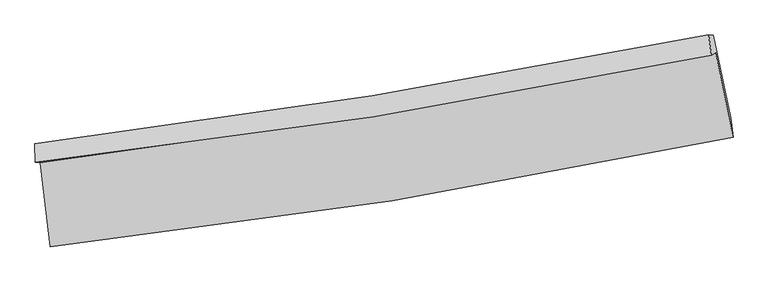
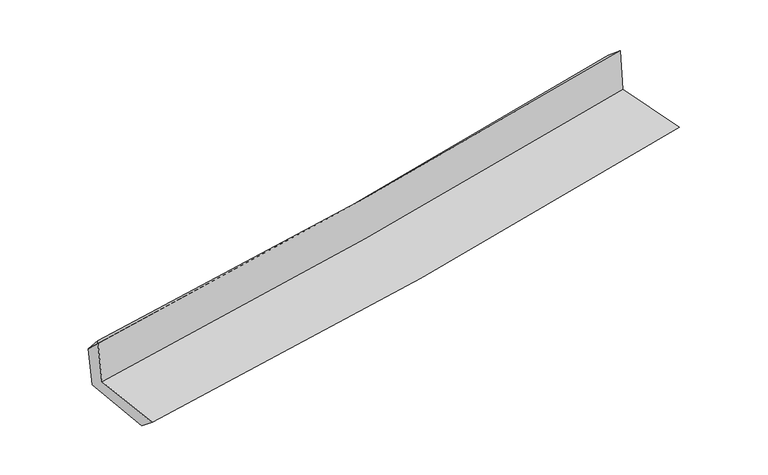
"""IFC4 building model written with IfcOpenShell, lengths in millimetres: proxy geometry."""

from ifc_helpers import new_model, si_unit, frame, origin, place, context, project, spatial, source, transform, mapped, element, save
from ifc_brep_helpers import plane_surface, spline_curve, spline_surface, advanced_brep


def generic_models_ee095c8a(model_context):
    return source(origin(), model_context, "Body", "AdvancedBrep", [
        advanced_brep(
        [(-2637.8223361, -1909.9457778, 1664.8434315), (-2557.5614344, -2562.4808229, 1643.2210483), (2719.9437918, -1713.0198744, 2113.7040828), (2584.7237906, -1062.1237773, 2130.5858757), (-2674.5626849, -1907.4396106, 2068.885351), (2551.3647113, -1079.2380274, 2523.2446347), (-2677.432662, -1764.0469229, 1909.8990118), (2531.5716486, -923.5675189, 2393.6731407), (-2644.7325883, -1765.6370026, 1549.4366308), (2564.9550623, -925.8612584, 2043.1876342), (-2564.8054356, -2407.7997942, 1517.7127886), (2700.2602709, -1563.6019646, 1996.6363593)],
        [
            (0, 1),
            (1, 2, spline_curve(3, [(-2557.5614344, -2562.4808229, 1643.2210483), (-1672.819528914, -2465.583581069, 1726.598501758), (-791.419647466, -2346.509176928, 1807.43004993), (967.772219129, -2063.511188691, 1964.275597688), (1845.540746236, -1899.431943389, 2040.271727793), (2719.9437918, -1713.0198744, 2113.7040828)], [4, 2, 4], [0.0, 8.74515311193279, 17.52094362440707])),
            (2, 3),
            (3, 0, spline_curve(3, [(2584.7237906, -1062.1237773, 2130.5858757), (1718.061921039, -1238.963513837, 2058.228402625), (848.753169622, -1398.12790489, 1983.165205757), (-892.113988236, -1680.612040061, 1827.898865035), (-1763.653945714, -1804.054982321, 1747.71458082), (-2637.8223361, -1909.9457778, 1664.8434315)], [4, 2, 4], [0.0, 8.77579051247428, 17.52094362440707])),
            (4, 0),
            (3, 5),
            (5, 4, spline_curve(3, [(2551.3647113, -1079.2380274, 2523.2446347), (1684.934461507, -1259.5368359, 2452.921851226), (815.458558931, -1418.786980686, 2379.82613705), (-926.538468238, -1694.70746477, 2228.353714835), (-1799.0383643, -1811.524514031, 2149.996334555), (-2674.5626849, -1907.4396106, 2068.885351)], [4, 2, 4], [0.0, 8.73003535735747, 17.429593051237838])),
            (6, 4),
            (5, 7),
            (7, 6, spline_curve(3, [(2531.5716486, -923.5675189, 2393.6731407), (1667.421497943, -1097.337222692, 2311.636906379), (800.498844764, -1254.355256783, 2230.234890977), (-935.855249792, -1534.398297704, 2068.981268471), (-1805.267367103, -1657.540065129, 1989.125241038), (-2677.432662, -1764.0469229, 1909.8990118)], [4, 2, 4], [0.0, 8.719285338458409, 17.40813054312258])),
            (8, 6),
            (7, 9),
            (9, 8, spline_curve(3, [(2564.9550623, -925.8612584, 2043.1876342), (1699.810230596, -1099.791837972, 1969.466618532), (832.33396217, -1256.831325829, 1891.380626002), (-904.244838075, -1536.638841901, 1726.766533817), (-1773.331120175, -1659.524602224, 1640.268858599), (-2644.7325883, -1765.6370026, 1549.4366308)], [4, 2, 4], [0.0, 8.710082651094828, 17.38975729614715])),
            (10, 8),
            (9, 11),
            (11, 10, spline_curve(3, [(2700.2602709, -1563.6019646, 1996.6363593), (1827.252031824, -1743.337632901, 1918.534427492), (951.21994356, -1903.64438644, 1839.501751503), (-803.823035308, -2184.908242311, 1679.854073964), (-1682.812848908, -2306.000765264, 1599.245559746), (-2564.8054356, -2407.7997942, 1517.7127886)], [4, 2, 4], [0.0, 8.755833665315537, 17.481099601980574])),
            (1, 10),
            (11, 2),
        ],
        [
            spline_surface(3, 3, [[(-2637.8223361, -1909.9457778, 1664.8434315), (-1763.65394585, -1804.054982432, 1747.714580771), (-892.113988226, -1680.612040069, 1827.89886516), (848.753169612, -1398.127904882, 1983.165205631), (1718.061920893, -1238.963513779, 2058.22840265), (2584.7237906, -1062.1237773, 2130.5858757)], [(-2611.068702207, -2127.45745949, 1657.635970428), (-1733.375806888, -2024.564515326, 1740.675887789), (-858.549207926, -1902.577752354, 1821.075926721), (888.426186081, -1619.922332817, 1976.868669655), (1760.554862632, -1459.119656994, 2052.242844393), (2629.797124314, -1279.089143006, 2124.958611411)], [(-2584.315068293, -2344.96914121, 1650.428509372), (-1703.097667905, -2245.07404825, 1733.637194823), (-824.984427642, -2124.543464643, 1814.252988318), (928.099202535, -1841.716760755, 1970.572133715), (1803.047804429, -1679.275800192, 2046.257286104), (2674.870458086, -1496.054508694, 2119.331347089)], [(-2557.5614344, -2562.4808229, 1643.2210483), (-1672.819528943, -2465.583581144, 1726.598501842), (-791.419647342, -2346.509176928, 1807.430049879), (967.772219005, -2063.511188691, 1964.275597739), (1845.540746168, -1899.431943408, 2040.271727847), (2719.9437918, -1713.0198744, 2113.7040828)]], [4, 4], [4, 2, 4], [0.0, 2.214356295706071], [0.0, 8.74515311193279, 17.52094362440707]),
            spline_surface(3, 3, [[(-2674.5626849, -1907.4396106, 2068.885351), (-1799.038364328, -1811.524514071, 2149.996334446), (-926.538468227, -1694.707464647, 2228.353714913), (815.45855892, -1418.786980809, 2379.826136972), (1684.934461529, -1259.536835872, 2452.921851107), (2551.3647113, -1079.2380274, 2523.2446347)], [(-2662.31590195, -1908.274999672, 1934.20471114), (-1787.243558152, -1809.034670197, 2015.902416528), (-915.063641572, -1690.008989796, 2094.868764991), (826.556762473, -1411.900622175, 2247.605826521), (1695.976947986, -1252.679061849, 2321.357368275), (2562.484404402, -1073.533277375, 2392.358381687)], [(-2650.06911905, -1909.110388728, 1799.52407136), (-1775.448752026, -1806.544826307, 1881.808498689), (-903.588814881, -1685.31051492, 1961.383815082), (837.654966059, -1405.014263516, 2115.385516082), (1707.019434436, -1245.821287802, 2189.792885482), (2573.604097498, -1067.828527325, 2261.472128713)], [(-2637.8223361, -1909.9457778, 1664.8434315), (-1763.65394585, -1804.054982432, 1747.714580771), (-892.113988226, -1680.612040069, 1827.89886516), (848.753169612, -1398.127904882, 1983.165205631), (1718.061920893, -1238.963513779, 2058.22840265), (2584.7237906, -1062.1237773, 2130.5858757)]], [4, 4], [4, 2, 4], [0.0, 1.3135321220625928], [0.0, 8.699557693880367, 17.429593051237838]),
            spline_surface(3, 3, [[(-2677.432662, -1764.0469229, 1909.8990118), (-1805.267366964, -1657.540065017, 1989.125240955), (-935.855249876, -1534.398297796, 2068.981268519), (800.498844848, -1254.355256691, 2230.234890928), (1667.421497964, -1097.337222619, 2311.636906349), (2531.5716486, -923.5675189, 2393.6731407)], [(-2676.476002973, -1811.844485463, 1962.894458215), (-1803.191032759, -1708.868214698, 2042.7489388), (-932.749655989, -1587.834686743, 2122.105417348), (805.485416209, -1309.165831394, 2280.09863964), (1673.259152493, -1151.403760366, 2358.731887942), (2538.169336174, -975.457688396, 2436.863638707)], [(-2675.519343927, -1859.642048037, 2015.889904585), (-1801.114698533, -1760.196364391, 2096.3726366), (-929.644062114, -1641.2710757, 2175.229566085), (810.471987559, -1363.976406106, 2329.96238826), (1679.096807, -1205.470298125, 2405.826869514), (2544.767023726, -1027.347857904, 2480.054136693)], [(-2674.5626849, -1907.4396106, 2068.885351), (-1799.038364328, -1811.524514071, 2149.996334446), (-926.538468227, -1694.707464647, 2228.353714913), (815.45855892, -1418.786980809, 2379.826136972), (1684.934461529, -1259.536835872, 2452.921851107), (2551.3647113, -1079.2380274, 2523.2446347)]], [4, 4], [4, 2, 4], [0.0, 0.7363524370400569], [0.0, 8.688845204664172, 17.40813054312258]),
            spline_surface(3, 3, [[(-2644.7325883, -1765.6370026, 1549.4366308), (-1773.331120117, -1659.524602182, 1640.268858718), (-904.244838186, -1536.638841879, 1726.766533918), (832.333962282, -1256.83132585, 1891.3806259), (1699.81023055, -1099.791838072, 1969.466618493), (2564.9550623, -925.8612584, 2043.1876342)], [(-2655.632612873, -1765.10697606, 1669.590757808), (-1783.976535739, -1658.863089821, 1756.554319472), (-914.781642069, -1535.891993838, 1840.838112095), (821.722256485, -1256.00596945, 2004.332047552), (1689.013986344, -1098.973632921, 2083.523381108), (2553.827257723, -925.096678567, 2160.016136363)], [(-2666.532637427, -1764.57694944, 1789.744884792), (-1794.621951342, -1658.201577379, 1872.839780201), (-925.318445994, -1535.145145837, 1954.909690342), (811.110550645, -1255.180613091, 2117.283469276), (1678.217742169, -1098.15542777, 2197.580143734), (2542.699453177, -924.332098733, 2276.844638537)], [(-2677.432662, -1764.0469229, 1909.8990118), (-1805.267366964, -1657.540065017, 1989.125240955), (-935.855249876, -1534.398297796, 2068.981268519), (800.498844848, -1254.355256691, 2230.234890928), (1667.421497964, -1097.337222619, 2311.636906349), (2531.5716486, -923.5675189, 2393.6731407)]], [4, 4], [4, 2, 4], [0.0, 1.1220841630877476], [0.0, 8.679674645052321, 17.38975729614715]),
            spline_surface(3, 3, [[(-2564.8054356, -2407.7997942, 1517.7127886), (-1682.812849016, -2306.000765126, 1599.245559667), (-803.823035176, -2184.908242237, 1679.854073929), (951.219943427, -1903.644386514, 1839.501751538), (1827.252031739, -1743.337632897, 1918.534427454), (2700.2602709, -1563.6019646, 1996.6363593)], [(-2591.447819806, -2193.745530314, 1528.287402675), (-1712.985606023, -2090.508710793, 1612.919992692), (-837.29696953, -1968.818442105, 1695.491560598), (911.591283027, -1688.040032947, 1856.794709664), (1784.771431363, -1528.822367956, 1935.511824451), (2655.158534721, -1351.021729201, 2012.153450917)], [(-2618.090204094, -1979.691266486, 1538.862016725), (-1743.15836311, -1875.016656516, 1626.594425693), (-870.770903832, -1752.728642011, 1711.12904725), (871.962622682, -1472.435679417, 1874.087667774), (1742.290830925, -1314.307103013, 1952.489221497), (2610.056798479, -1138.441493799, 2027.670542583)], [(-2644.7325883, -1765.6370026, 1549.4366308), (-1773.331120117, -1659.524602182, 1640.268858718), (-904.244838186, -1536.638841879, 1726.766533918), (832.333962282, -1256.83132585, 1891.3806259), (1699.81023055, -1099.791838072, 1969.466618493), (2564.9550623, -925.8612584, 2043.1876342)]], [4, 4], [4, 2, 4], [0.0, 2.1608214318341603], [0.0, 8.725265936665037, 17.481099601980574]),
            spline_surface(3, 3, [[(-2557.5614344, -2562.4808229, 1643.2210483), (-1672.819528943, -2465.583581144, 1726.598501842), (-791.419647342, -2346.509176928, 1807.430049879), (967.772219005, -2063.511188691, 1964.275597739), (1845.540746168, -1899.431943408, 2040.271727847), (2719.9437918, -1713.0198744, 2113.7040828)], [(-2559.97610149, -2510.920480002, 1601.384961733), (-1676.150635658, -2412.38930914, 1684.147521116), (-795.554109947, -2292.64219872, 1764.904724566), (962.254793818, -2010.222254654, 1922.684315676), (1839.444508024, -1847.40050656, 1999.692627732), (2713.382618165, -1663.213904456, 2074.681508316)], [(-2562.39076851, -2459.360137098, 1559.548875167), (-1679.481742301, -2359.195037131, 1641.696540392), (-799.688572571, -2238.775220445, 1722.379399242), (956.737368613, -1956.933320551, 1881.093033601), (1833.348269883, -1795.369069745, 1959.113527569), (2706.821444535, -1613.407934544, 2035.658933784)], [(-2564.8054356, -2407.7997942, 1517.7127886), (-1682.812849016, -2306.000765126, 1599.245559667), (-803.823035176, -2184.908242237, 1679.854073929), (951.219943427, -1903.644386514, 1839.501751538), (1827.252031739, -1743.337632897, 1918.534427454), (2700.2602709, -1563.6019646, 1996.6363593)]], [4, 4], [4, 2, 4], [0.0, 0.6720764987639891], [0.0, 8.780074123841564, 17.59090798902477]),
            plane_surface(frame((2608.8032126, -1211.2354035, 2200.1719546), z_axis=(0.9754496403079034, 0.20026841408935322, 0.09160000841330475), x_axis=(-0.09481789394062708, 0.006514838489323007, 0.995473316502317))),
            plane_surface(frame((-2626.1528569, -2052.8916552, 1725.666377), z_axis=(-0.9889188255334652, -0.11868029891268882, -0.0891882456129001), x_axis=(-0.12201266234401945, 0.9919840975623965, 0.03287035763483898))),
        ],
        [
            (0, [[1, 2, 3, 4]]),
            (1, [[5, -4, 6, 7]]),
            (2, [[8, -7, 9, 10]]),
            (3, [[11, -10, 12, 13]]),
            (4, [[14, -13, 15, 16]]),
            (5, [[17, -16, 18, -2]]),
            (6, [[-12, -9, -6, -3, -18, -15]]),
            (7, [[-1, -5, -8, -11, -14, -17]]),
        ],
    ),
    ])


if __name__ == "__main__":
    model = new_model("IFC4")
    model_context = context("Model", 3, world=origin())
    ifc_project = project(units=[si_unit("LENGTHUNIT", "METRE", prefix="MILLI")], contexts=[model_context])
    site = spatial("IfcSite", under=ifc_project)
    building = spatial("IfcBuilding", under=site)
    placement = place(None, origin())
    generic_models_shape = generic_models_ee095c8a(model_context)
    element("IfcBuildingElementProxy", 1, Name="Generic Models", at=placement, inside=building, context=model_context, shape_type="MappedRepresentation", body=[
        mapped(generic_models_shape, transform((0.0, 0.0, 0.0), x_axis=(1.0, 0.0, 0.0), y_axis=(0.0, 1.0, 0.0), z_axis=(0.0, 0.0, 1.0))),
    ])
    save(model, "model.ifc")
